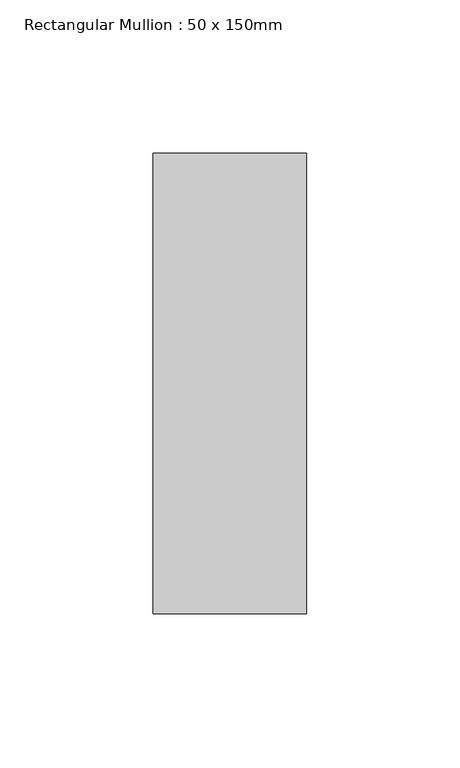
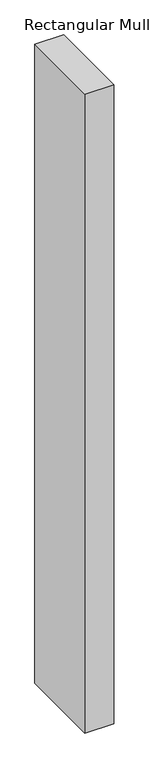
"""IFC4 building model written with IfcOpenShell, lengths in millimetres: member geometry, Rectangular Mullion : 50 x 150mm."""

from ifc_helpers import new_model, si_unit, frame, origin, place, context, project, spatial, polyline, outline, extrude, source, transform, mapped, element, save


def rectangular_mullion_50_x_150mm_9555189a(model_context):
    return source(origin(), model_context, "Body", "SweptSolid", [
        extrude(outline(polyline([(0.0, 75.0), (0.0, -75.0), (-50.0, -75.0), (-50.0, 75.0), (0.0, 75.0)])), frame((0.0, 0.0, -1171.6573503), z_axis=(0.0, 0.0, 1.0), x_axis=(1.0, 0.0, 0.0)), (0.0, 0.0, 1.0), 1171.6573503),
    ])


if __name__ == "__main__":
    model = new_model("IFC4")
    model_context = context("Model", 3, world=origin())
    ifc_project = project(units=[si_unit("LENGTHUNIT", "METRE", prefix="MILLI")], contexts=[model_context])
    site = spatial("IfcSite", under=ifc_project)
    building = spatial("IfcBuilding", under=site)
    placement = place(None, origin())
    rectangular_mullion_50_x_150mm_shape = rectangular_mullion_50_x_150mm_9555189a(model_context)
    element("IfcMember", 1, ObjectType="Rectangular Mullion : 50 x 150mm", at=placement, inside=building, context=model_context, shape_type="MappedRepresentation", body=[
        mapped(rectangular_mullion_50_x_150mm_shape, transform((0.0, 0.0, 0.0), x_axis=(1.0, 0.0, 0.0), y_axis=(0.0, 1.0, 0.0), z_axis=(0.0, 0.0, 1.0))),
    ])
    save(model, "model.ifc")
